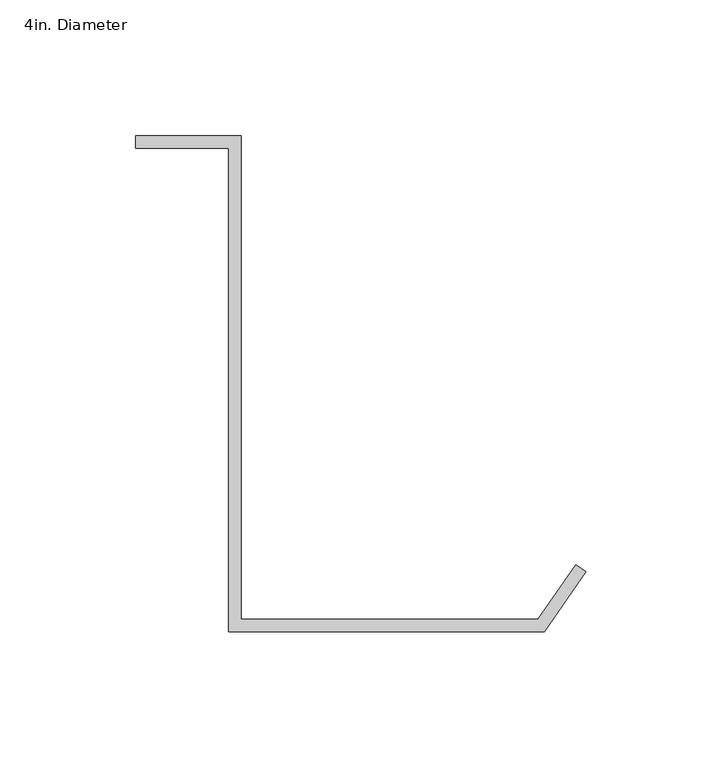
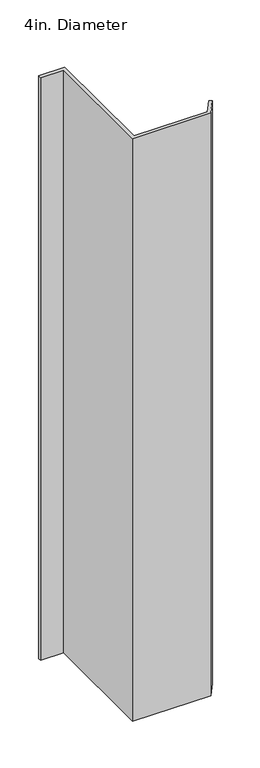
"""IFC4 building model written with IfcOpenShell, lengths in millimetres: proxy geometry, 4in. Diameter."""

from ifc_helpers import new_model, si_unit, origin, origin_with_axes, place, context, project, spatial, polyline, outline, extrude, source, transform, mapped, element, save


def proxy_4in_diameter_c5ba68f9(model_context):
    return source(origin(), model_context, "Body", "SweptSolid", [
        extrude(outline(polyline([(-48.3904232, 87.503), (-82.55, 87.503), (-82.55, 92.075), (-43.8184232, 92.075), (-43.8184232, -85.725), (65.396319, -85.725), (79.436423, -65.6736558), (83.1815768, -68.296028), (67.7763498, -90.297), (-48.3904232, -90.297), (-48.3904232, 87.503)])), origin_with_axes(), (0.0, 0.0, 1.0), 914.4),
    ])


if __name__ == "__main__":
    model = new_model("IFC4")
    model_context = context("Model", 3, world=origin())
    ifc_project = project(units=[si_unit("LENGTHUNIT", "METRE", prefix="MILLI")], contexts=[model_context])
    site = spatial("IfcSite", under=ifc_project)
    building = spatial("IfcBuilding", under=site)
    placement = place(None, origin())
    proxy_4in_diameter_shape = proxy_4in_diameter_c5ba68f9(model_context)
    element("IfcBuildingElementProxy", 1, Name="4in. Diameter", ObjectType="4in. Diameter", at=placement, inside=building, context=model_context, shape_type="MappedRepresentation", body=[
        mapped(proxy_4in_diameter_shape, transform((0.0, 0.0, 0.0), x_axis=(1.0, 0.0, 0.0), y_axis=(0.0, 1.0, 0.0), z_axis=(0.0, 0.0, 1.0))),
    ])
    save(model, "model.ifc")
